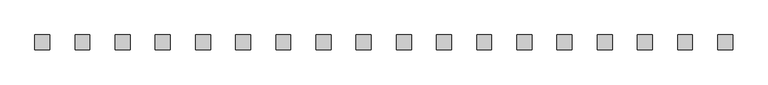
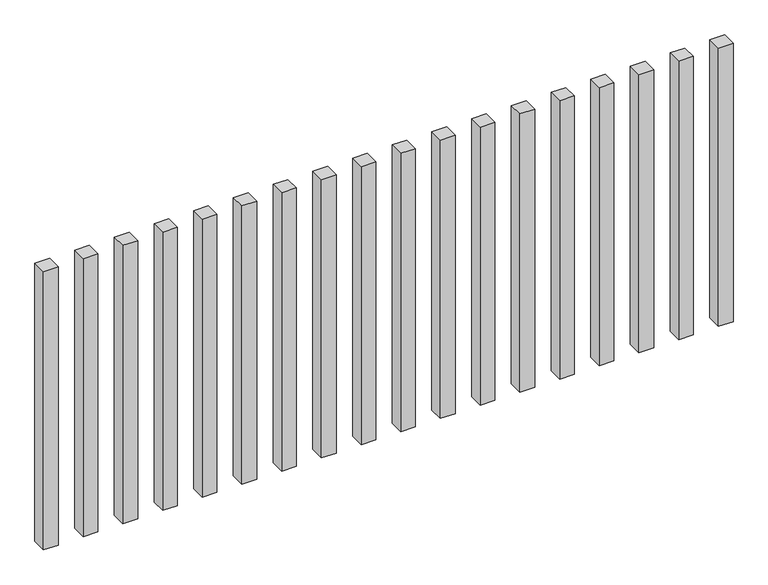
"""IFC4 building model written with IfcOpenShell, lengths in millimetres: railing geometry."""

from ifc_helpers import new_model, si_unit, origin, origin_with_axes, place, context, project, spatial, polyline, outline, extrude, source, transform, mapped, element, save


def railing_7b6c6dcb(model_context):
    return source(origin(), model_context, "Body", "SweptSolid", [
        extrude(outline(polyline([(-10707.5700772, -88954.0267127), (-10707.5700772, -88904.0267127), (-10657.5700772, -88904.0267127), (-10657.5700772, -88954.0267127), (-10707.5700772, -88954.0267127)])), origin_with_axes(), (0.0, 0.0, 1.0), 1000.0),
        extrude(outline(polyline([(-10842.5700772, -88954.0267127), (-10842.5700772, -88904.0267127), (-10792.5700772, -88904.0267127), (-10792.5700772, -88954.0267127), (-10842.5700772, -88954.0267127)])), origin_with_axes(), (0.0, 0.0, 1.0), 1000.0),
        extrude(outline(polyline([(-10977.5700772, -88954.0267127), (-10977.5700772, -88904.0267127), (-10927.5700772, -88904.0267127), (-10927.5700772, -88954.0267127), (-10977.5700772, -88954.0267127)])), origin_with_axes(), (0.0, 0.0, 1.0), 1000.0),
        extrude(outline(polyline([(-11112.5700772, -88954.0267127), (-11112.5700772, -88904.0267127), (-11062.5700772, -88904.0267127), (-11062.5700772, -88954.0267127), (-11112.5700772, -88954.0267127)])), origin_with_axes(), (0.0, 0.0, 1.0), 1000.0),
        extrude(outline(polyline([(-11247.5700772, -88954.0267127), (-11247.5700772, -88904.0267127), (-11197.5700772, -88904.0267127), (-11197.5700772, -88954.0267127), (-11247.5700772, -88954.0267127)])), origin_with_axes(), (0.0, 0.0, 1.0), 1000.0),
        extrude(outline(polyline([(-11382.5700772, -88954.0267127), (-11382.5700772, -88904.0267127), (-11332.5700772, -88904.0267127), (-11332.5700772, -88954.0267127), (-11382.5700772, -88954.0267127)])), origin_with_axes(), (0.0, 0.0, 1.0), 1000.0),
        extrude(outline(polyline([(-11517.5700772, -88954.0267127), (-11517.5700772, -88904.0267127), (-11467.5700772, -88904.0267127), (-11467.5700772, -88954.0267127), (-11517.5700772, -88954.0267127)])), origin_with_axes(), (0.0, 0.0, 1.0), 1000.0),
        extrude(outline(polyline([(-11652.5700772, -88954.0267127), (-11652.5700772, -88904.0267127), (-11602.5700772, -88904.0267127), (-11602.5700772, -88954.0267127), (-11652.5700772, -88954.0267127)])), origin_with_axes(), (0.0, 0.0, 1.0), 1000.0),
        extrude(outline(polyline([(-11787.5700772, -88954.0267127), (-11787.5700772, -88904.0267127), (-11737.5700772, -88904.0267127), (-11737.5700772, -88954.0267127), (-11787.5700772, -88954.0267127)])), origin_with_axes(), (0.0, 0.0, 1.0), 1000.0),
        extrude(outline(polyline([(-11922.5700772, -88954.0267127), (-11922.5700772, -88904.0267127), (-11872.5700772, -88904.0267127), (-11872.5700772, -88954.0267127), (-11922.5700772, -88954.0267127)])), origin_with_axes(), (0.0, 0.0, 1.0), 1000.0),
        extrude(outline(polyline([(-12057.5700772, -88954.0267127), (-12057.5700772, -88904.0267127), (-12007.5700772, -88904.0267127), (-12007.5700772, -88954.0267127), (-12057.5700772, -88954.0267127)])), origin_with_axes(), (0.0, 0.0, 1.0), 1000.0),
        extrude(outline(polyline([(-12192.5700772, -88954.0267127), (-12192.5700772, -88904.0267127), (-12142.5700772, -88904.0267127), (-12142.5700772, -88954.0267127), (-12192.5700772, -88954.0267127)])), origin_with_axes(), (0.0, 0.0, 1.0), 1000.0),
        extrude(outline(polyline([(-12327.5700772, -88954.0267127), (-12327.5700772, -88904.0267127), (-12277.5700772, -88904.0267127), (-12277.5700772, -88954.0267127), (-12327.5700772, -88954.0267127)])), origin_with_axes(), (0.0, 0.0, 1.0), 1000.0),
        extrude(outline(polyline([(-12462.5700772, -88954.0267127), (-12462.5700772, -88904.0267127), (-12412.5700772, -88904.0267127), (-12412.5700772, -88954.0267127), (-12462.5700772, -88954.0267127)])), origin_with_axes(), (0.0, 0.0, 1.0), 1000.0),
        extrude(outline(polyline([(-12597.5700772, -88954.0267127), (-12597.5700772, -88904.0267127), (-12547.5700772, -88904.0267127), (-12547.5700772, -88954.0267127), (-12597.5700772, -88954.0267127)])), origin_with_axes(), (0.0, 0.0, 1.0), 1000.0),
        extrude(outline(polyline([(-12732.5700772, -88954.0267127), (-12732.5700772, -88904.0267127), (-12682.5700772, -88904.0267127), (-12682.5700772, -88954.0267127), (-12732.5700772, -88954.0267127)])), origin_with_axes(), (0.0, 0.0, 1.0), 1000.0),
        extrude(outline(polyline([(-12867.5700772, -88954.0267127), (-12867.5700772, -88904.0267127), (-12817.5700772, -88904.0267127), (-12817.5700772, -88954.0267127), (-12867.5700772, -88954.0267127)])), origin_with_axes(), (0.0, 0.0, 1.0), 1000.0),
        extrude(outline(polyline([(-13002.5700772, -88954.0267127), (-13002.5700772, -88904.0267127), (-12952.5700772, -88904.0267127), (-12952.5700772, -88954.0267127), (-13002.5700772, -88954.0267127)])), origin_with_axes(), (0.0, 0.0, 1.0), 1000.0),
    ])


if __name__ == "__main__":
    model = new_model("IFC4")
    model_context = context("Model", 3, world=origin())
    ifc_project = project(units=[si_unit("LENGTHUNIT", "METRE", prefix="MILLI")], contexts=[model_context])
    site = spatial("IfcSite", under=ifc_project)
    building = spatial("IfcBuilding", under=site)
    placement = place(None, origin())
    railing_shape = railing_7b6c6dcb(model_context)
    element("IfcRailing", 1, at=placement, inside=building, context=model_context, shape_type="MappedRepresentation", body=[
        mapped(railing_shape, transform((0.0, 0.0, 0.0), x_axis=(1.0, 0.0, 0.0), y_axis=(0.0, 1.0, 0.0), z_axis=(0.0, 0.0, 1.0))),
    ])
    save(model, "model.ifc")
